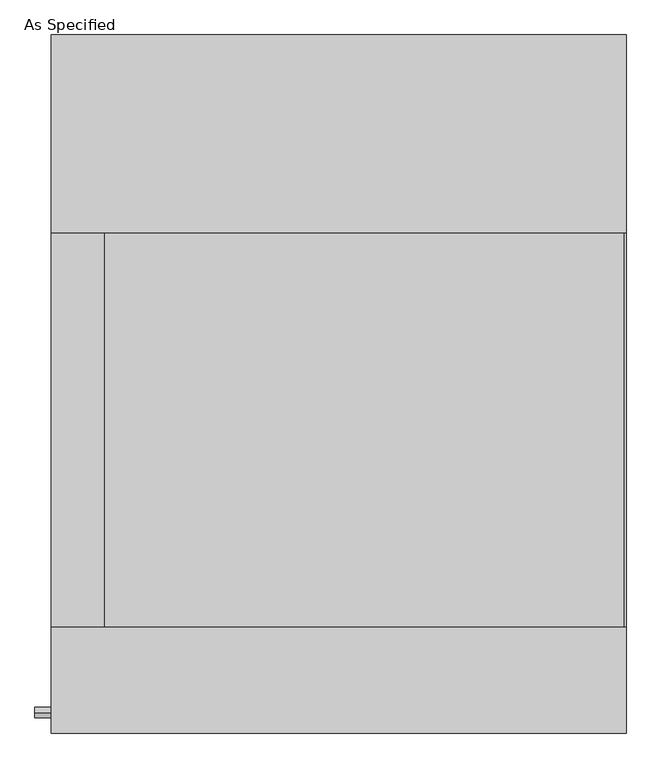
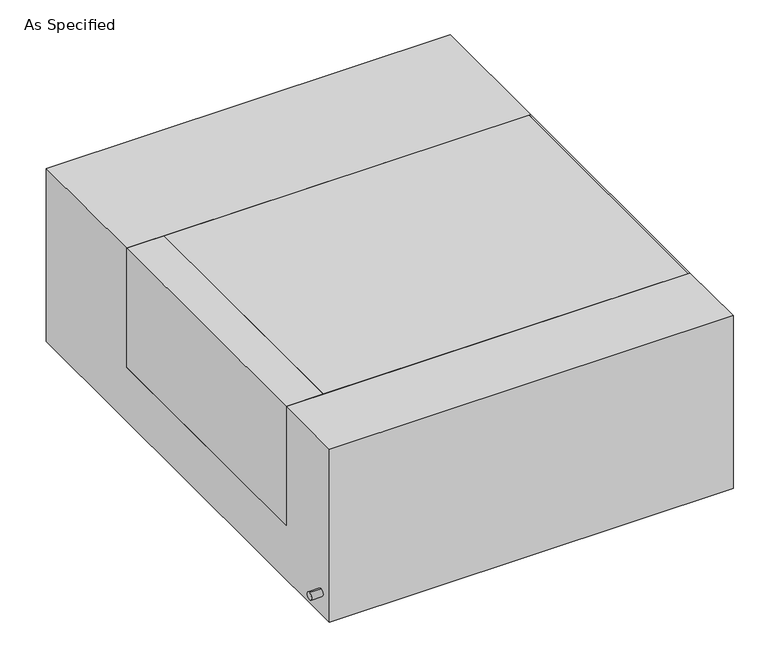
"""IFC4 building model written with IfcOpenShell, lengths in millimetres: proxy geometry, As Specified."""

from ifc_helpers import new_model, si_unit, point, frame, frame_2d, origin, place, context, project, spatial, polyline, circle_curve, trimmed, segment, composite_curve, outline, extrude, source, transform, mapped, element, save


def as_specified_d2dc1017(model_context):
    return source(origin(), model_context, "Body", "SweptSolid", [
        extrude(outline(composite_curve([segment(trimmed(circle_curve(frame_2d((-636.5875, -466.725)), 10.5), [point((-636.5875, -456.225))], [point((-636.5875, -477.225))], False, "CARTESIAN"), True, "CONTINUOUS"), segment(trimmed(circle_curve(frame_2d((-636.5875, -466.725)), 10.5), [point((-636.5875, -477.225))], [point((-636.5875, -456.225))], False, "CARTESIAN"), True, "CONTINUOUS")], self_intersect=False)), frame((-589.0528384, 0.0, 0.0), z_axis=(1.0, 0.0, 0.0), x_axis=(0.0, 1.0, 0.0)), (0.0, 0.0, 1.0), 31.8403384),
        extrude(outline(polyline([(-454.81875, 292.1), (-454.81875, -469.9), (-557.2125, -469.9), (-557.2125, 292.1), (-454.81875, 292.1)])), frame((0.0, 0.0, -373.0625), z_axis=(0.0, 0.0, 1.0), x_axis=(1.0, 0.0, 0.0)), (0.0, 0.0, 1.0), 347.6625),
        extrude(outline(polyline([(553.24375, 292.1), (557.2125, 292.1), (557.2125, -469.9), (553.24375, -469.9), (553.24375, 292.1)])), frame((0.0, 0.0, -39.6875), z_axis=(0.0, 0.0, 1.0), x_axis=(1.0, 0.0, 0.0)), (0.0, 0.0, 1.0), 14.2875),
        extrude(outline(polyline([(557.2125, 292.1), (557.2125, -469.9), (-454.81875, -469.9), (-454.81875, 292.1), (557.2125, 292.1)])), frame((0.0, 0.0, -373.0625), z_axis=(0.0, 0.0, 1.0), x_axis=(1.0, 0.0, 0.0)), (0.0, 0.0, 1.0), 347.6625),
        extrude(outline(polyline([(676.275, -25.4), (676.275, -530.225), (-676.275, -530.225), (-676.275, -25.4), (-469.9, -25.4), (-469.9, -373.0625), (292.1, -373.0625), (292.1, -25.4), (676.275, -25.4)])), frame((-557.2125, 0.0, 0.0), z_axis=(1.0, 0.0, 0.0), x_axis=(0.0, 1.0, 0.0)), (0.0, 0.0, 1.0), 1114.425),
    ])


if __name__ == "__main__":
    model = new_model("IFC4")
    model_context = context("Model", 3, world=origin())
    ifc_project = project(units=[si_unit("LENGTHUNIT", "METRE", prefix="MILLI")], contexts=[model_context])
    site = spatial("IfcSite", under=ifc_project)
    building = spatial("IfcBuilding", under=site)
    placement = place(None, origin())
    as_specified_shape = as_specified_d2dc1017(model_context)
    element("IfcBuildingElementProxy", 1, Name="As Specified", ObjectType="As Specified", at=placement, inside=building, context=model_context, shape_type="MappedRepresentation", body=[
        mapped(as_specified_shape, transform((0.0, 0.0, 0.0), x_axis=(1.0, 0.0, 0.0), y_axis=(0.0, 1.0, 0.0), z_axis=(0.0, 0.0, 1.0))),
    ])
    save(model, "model.ifc")
